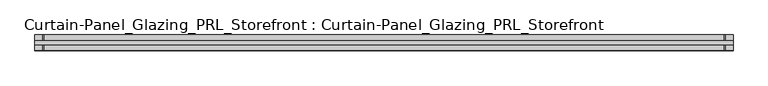
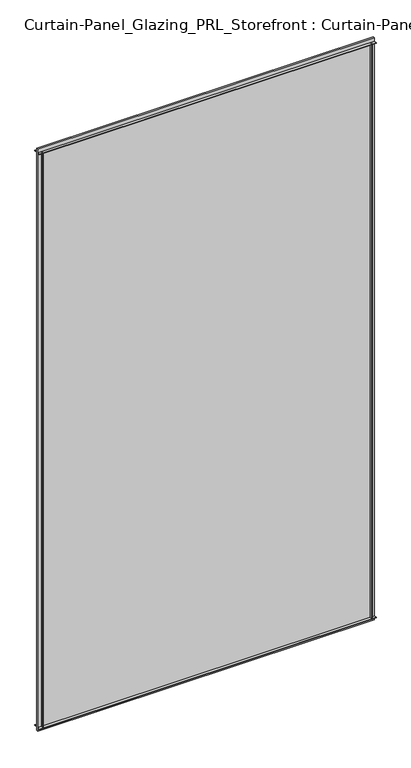
"""IFC4 building model written with IfcOpenShell, lengths in millimetres: plate geometry, Curtain-Panel_Glazing_PRL_Storefront : Curtain-Panel_Glazing_PRL_Storefront."""

from ifc_helpers import new_model, si_unit, frame, origin, origin_with_axes, place, context, project, spatial, polyline, outline, extrude, source, transform, mapped, element, save


def curtain_panel_glazing_prl_storefront_curtain_panel_glazing_d0ee9485(model_context):
    return source(origin(), model_context, "Body", "SweptSolid", [
        extrude(outline(polyline([(577.85, -12.7), (576.2625, -12.7), (576.2625, -3.175), (577.85, -3.175), (577.85, -12.7)])), frame((0.0, 0.0, 12.7), z_axis=(0.0, 0.0, 1.0), x_axis=(1.0, 0.0, 0.0)), (0.0, 0.0, 1.0), 2060.575),
        extrude(outline(polyline([(577.85, 12.7), (577.85, 3.175), (576.2625, 3.175), (576.2625, 12.7), (577.85, 12.7)])), frame((0.0, 0.0, 12.7), z_axis=(0.0, 0.0, 1.0), x_axis=(1.0, 0.0, 0.0)), (0.0, 0.0, 1.0), 2060.575),
        extrude(outline(polyline([(-539.75, -12.7), (-539.75, -3.175), (-538.1625, -3.175), (-538.1625, -12.7), (-539.75, -12.7)])), frame((0.0, 0.0, 12.7), z_axis=(0.0, 0.0, 1.0), x_axis=(1.0, 0.0, 0.0)), (0.0, 0.0, 1.0), 2060.575),
        extrude(outline(polyline([(-539.75, 12.7), (-538.1625, 12.7), (-538.1625, 3.175), (-539.75, 3.175), (-539.75, 12.7)])), frame((0.0, 0.0, 12.7), z_axis=(0.0, 0.0, 1.0), x_axis=(1.0, 0.0, 0.0)), (0.0, 0.0, 1.0), 2060.575),
        extrude(outline(polyline([(590.55, 3.175), (590.55, -3.175), (-552.45, -3.175), (-552.45, 3.175), (590.55, 3.175)])), origin_with_axes(), (0.0, 0.0, 1.0), 2085.975),
        extrude(outline(polyline([(-552.45, -12.7), (-552.45, -3.175), (590.55, -3.175), (590.55, -12.7), (-552.45, -12.7)])), frame((0.0, 0.0, 2071.6875), z_axis=(0.0, 0.0, 1.0), x_axis=(1.0, 0.0, 0.0)), (0.0, 0.0, 1.0), 1.5875),
        extrude(outline(polyline([(-552.45, 12.7), (590.55, 12.7), (590.55, 3.175), (-552.45, 3.175), (-552.45, 12.7)])), frame((0.0, 0.0, 2071.6875), z_axis=(0.0, 0.0, 1.0), x_axis=(1.0, 0.0, 0.0)), (0.0, 0.0, 1.0), 1.5875),
        extrude(outline(polyline([(-552.45, -12.7), (-552.45, -3.175), (590.55, -3.175), (590.55, -12.7), (-552.45, -12.7)])), frame((0.0, 0.0, 12.7), z_axis=(0.0, 0.0, 1.0), x_axis=(1.0, 0.0, 0.0)), (0.0, 0.0, 1.0), 1.5875),
        extrude(outline(polyline([(-552.45, 12.7), (590.55, 12.7), (590.55, 3.175), (-552.45, 3.175), (-552.45, 12.7)])), frame((0.0, 0.0, 12.7), z_axis=(0.0, 0.0, 1.0), x_axis=(1.0, 0.0, 0.0)), (0.0, 0.0, 1.0), 1.5875),
    ])


if __name__ == "__main__":
    model = new_model("IFC4")
    model_context = context("Model", 3, world=origin())
    ifc_project = project(units=[si_unit("LENGTHUNIT", "METRE", prefix="MILLI")], contexts=[model_context])
    site = spatial("IfcSite", under=ifc_project)
    building = spatial("IfcBuilding", under=site)
    placement = place(None, origin())
    curtain_panel_glazing_prl_storefront_curtain_panel_glazing_shape = curtain_panel_glazing_prl_storefront_curtain_panel_glazing_d0ee9485(model_context)
    element("IfcPlate", 1, ObjectType="Curtain-Panel_Glazing_PRL_Storefront : Curtain-Panel_Glazing_PRL_Storefront", at=placement, inside=building, context=model_context, shape_type="MappedRepresentation", body=[
        mapped(curtain_panel_glazing_prl_storefront_curtain_panel_glazing_shape, transform((0.0, 0.0, 0.0), x_axis=(1.0, 0.0, 0.0), y_axis=(0.0, 1.0, 0.0), z_axis=(0.0, 0.0, 1.0))),
    ])
    save(model, "model.ifc")
